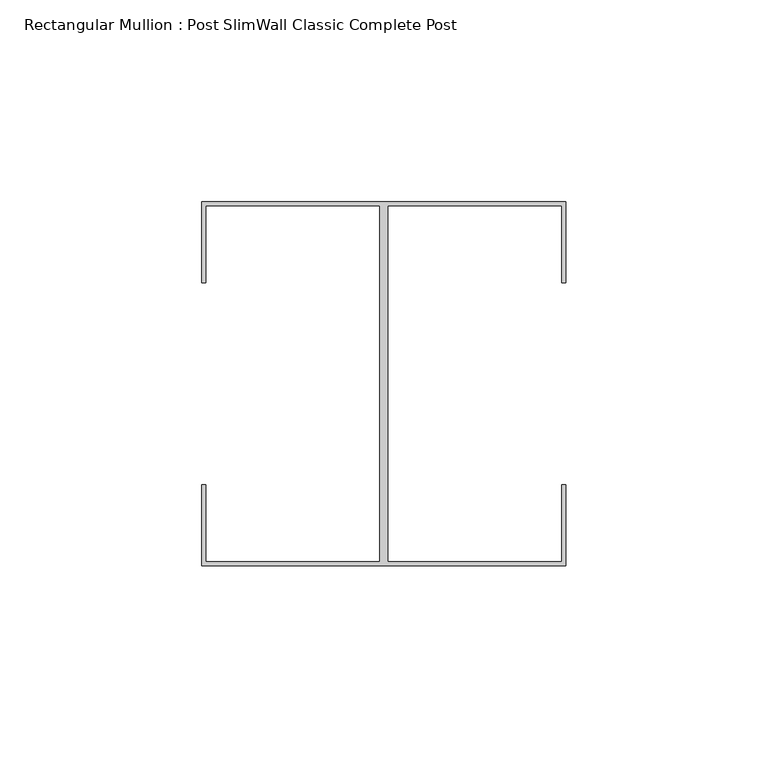
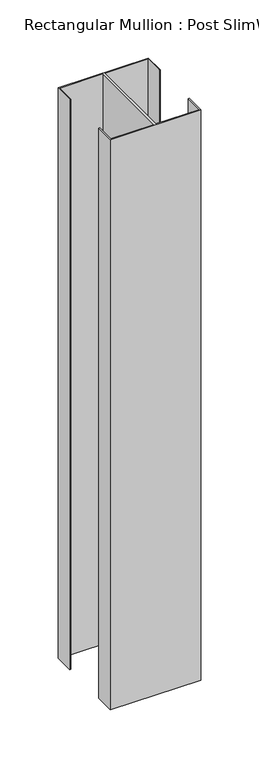
"""IFC4 building model written with IfcOpenShell, lengths in millimetres: member geometry, Rectangular Mullion : Post SlimWall Classic Complete Post."""

from ifc_helpers import new_model, si_unit, frame, origin, place, context, project, spatial, polyline, outline, extrude, source, transform, mapped, element, save


def rectangular_mullion_post_slimwall_classic_complete_post_735a4029(model_context):
    return source(origin(), model_context, "Body", "SweptSolid", [
        extrude(outline(polyline([(44.05, 44.05), (1.0, 44.05), (1.0, -44.05), (44.05, -44.05), (44.05, -25.0), (45.0, -25.0), (45.0, -45.0), (-45.0, -45.0), (-45.0, -25.0), (-44.05, -25.0), (-44.05, -44.05), (-1.0, -44.05), (-1.0, 44.05), (-44.05, 44.05), (-44.05, 25.0), (-45.0, 25.0), (-45.0, 45.0), (45.0, 45.0), (45.0, 25.0), (44.05, 25.0), (44.05, 44.05)])), frame((0.0, 0.0, -600.0), z_axis=(0.0, 0.0, 1.0), x_axis=(1.0, 0.0, 0.0)), (0.0, 0.0, 1.0), 600.0),
    ])


if __name__ == "__main__":
    model = new_model("IFC4")
    model_context = context("Model", 3, world=origin())
    ifc_project = project(units=[si_unit("LENGTHUNIT", "METRE", prefix="MILLI")], contexts=[model_context])
    site = spatial("IfcSite", under=ifc_project)
    building = spatial("IfcBuilding", under=site)
    placement = place(None, origin())
    rectangular_mullion_post_slimwall_classic_complete_post_shape = rectangular_mullion_post_slimwall_classic_complete_post_735a4029(model_context)
    element("IfcMember", 1, ObjectType="Rectangular Mullion : Post SlimWall Classic Complete Post", at=placement, inside=building, context=model_context, shape_type="MappedRepresentation", body=[
        mapped(rectangular_mullion_post_slimwall_classic_complete_post_shape, transform((0.0, 0.0, 0.0), x_axis=(1.0, 0.0, 0.0), y_axis=(0.0, 1.0, 0.0), z_axis=(0.0, 0.0, 1.0))),
    ])
    save(model, "model.ifc")
